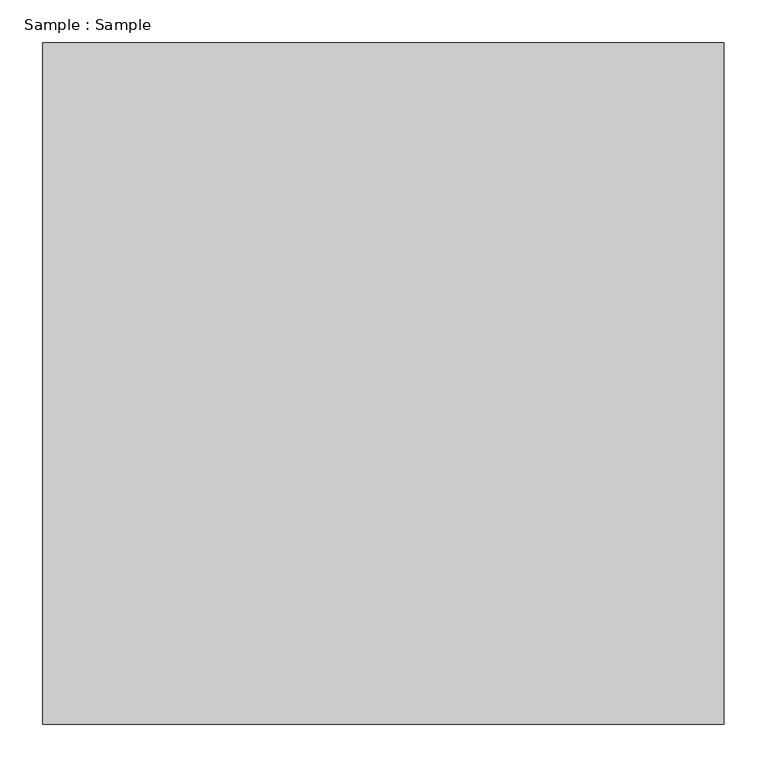
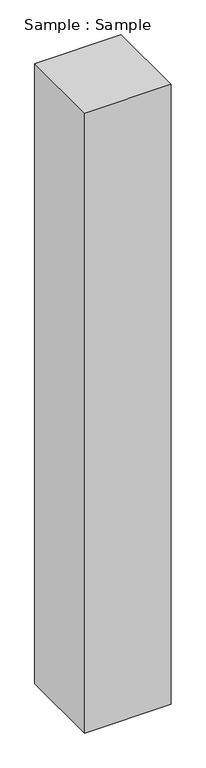
"""IFC4 building model written with IfcOpenShell, lengths in millimetres: proxy geometry, Sample : Sample."""

from ifc_helpers import new_model, si_unit, origin, origin_with_axes, place, context, project, spatial, polyline, outline, extrude, source, transform, mapped, element, save


def sample_sample_78315c67(model_context):
    return source(origin(), model_context, "Body", "SweptSolid", [
        extrude(outline(polyline([(400.0, 400.0), (400.0, -400.0), (-400.0, -400.0), (-400.0, 400.0), (400.0, 400.0)])), origin_with_axes(), (0.0, 0.0, 1.0), 6068.9655172),
    ])


if __name__ == "__main__":
    model = new_model("IFC4")
    model_context = context("Model", 3, world=origin())
    ifc_project = project(units=[si_unit("LENGTHUNIT", "METRE", prefix="MILLI")], contexts=[model_context])
    site = spatial("IfcSite", under=ifc_project)
    building = spatial("IfcBuilding", under=site)
    placement = place(None, origin())
    sample_sample_shape = sample_sample_78315c67(model_context)
    element("IfcBuildingElementProxy", 1, Name="Sample : Sample", ObjectType="Sample : Sample", at=placement, inside=building, context=model_context, shape_type="MappedRepresentation", body=[
        mapped(sample_sample_shape, transform((0.0, 0.0, 0.0), x_axis=(1.0, 0.0, 0.0), y_axis=(0.0, 1.0, 0.0), z_axis=(0.0, 0.0, 1.0))),
    ])
    save(model, "model.ifc")
